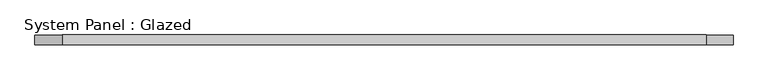
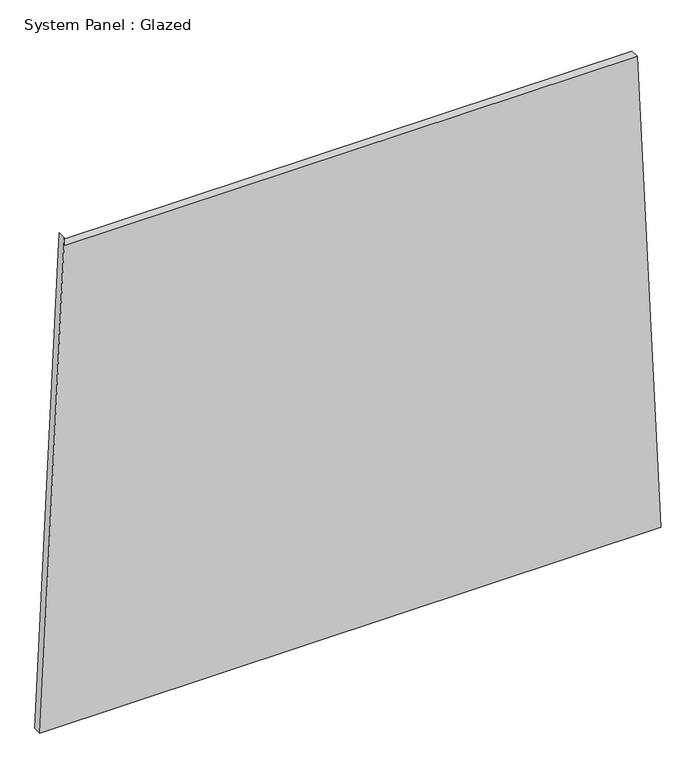
"""IFC4 building model written with IfcOpenShell, lengths in millimetres: plate geometry, System Panel : Glazed."""

from ifc_helpers import new_model, si_unit, frame, origin, place, context, project, spatial, polyline, outline, extrude, source, transform, mapped, element, save


def system_panel_glazed_962347f1(model_context):
    return source(origin(), model_context, "Body", "SweptSolid", [
        extrude(outline(polyline([(0.0, -888.5527205), (0.0, 888.5527205), (1448.329983, 820.151192), (1448.3299073, -818.9657327), (1473.3299073, -818.9657339), (0.0, -888.5527205)])), frame((0.0, -49.5, 0.0), z_axis=(0.0, 1.0, 0.0), x_axis=(0.0, 0.0, 1.0)), (0.0, 0.0, 1.0), 25.0),
    ])


if __name__ == "__main__":
    model = new_model("IFC4")
    model_context = context("Model", 3, world=origin())
    ifc_project = project(units=[si_unit("LENGTHUNIT", "METRE", prefix="MILLI")], contexts=[model_context])
    site = spatial("IfcSite", under=ifc_project)
    building = spatial("IfcBuilding", under=site)
    placement = place(None, origin())
    system_panel_glazed_shape = system_panel_glazed_962347f1(model_context)
    element("IfcPlate", 1, ObjectType="System Panel : Glazed", at=placement, inside=building, context=model_context, shape_type="MappedRepresentation", body=[
        mapped(system_panel_glazed_shape, transform((0.0, 0.0, 0.0), x_axis=(1.0, 0.0, 0.0), y_axis=(0.0, 1.0, 0.0), z_axis=(0.0, 0.0, 1.0))),
    ])
    save(model, "model.ifc")
